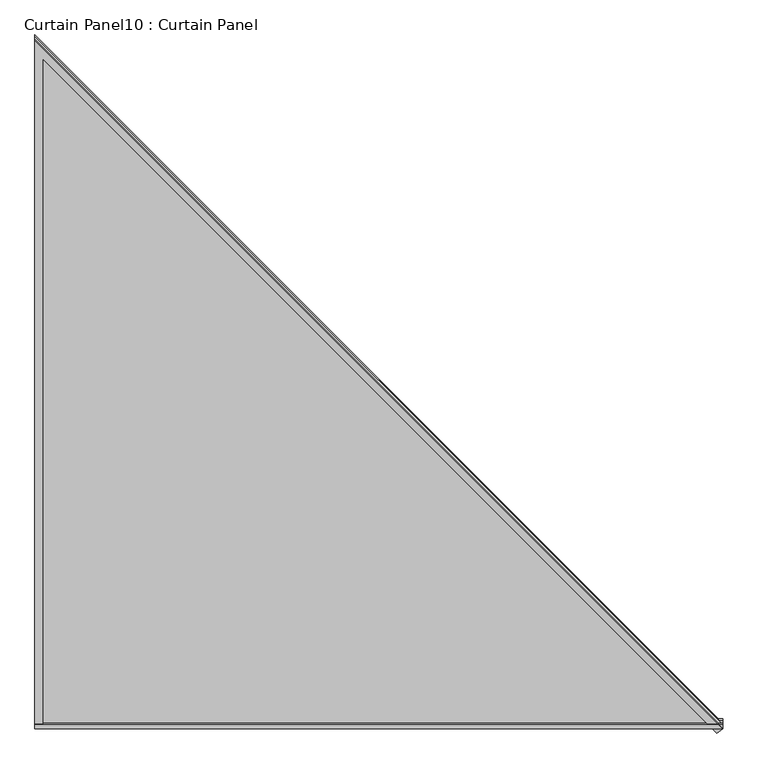
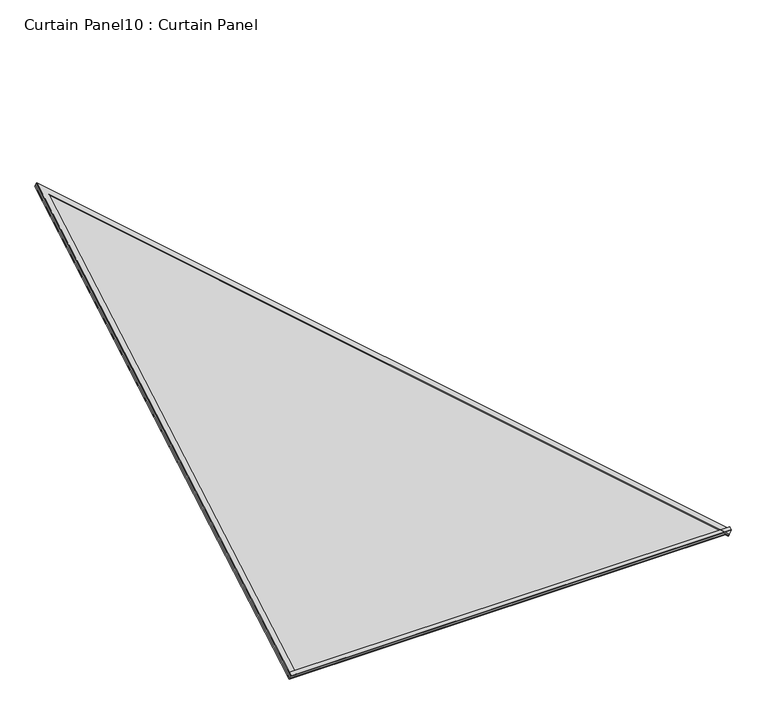
"""IFC4 building model written with IfcOpenShell, lengths in millimetres: plate geometry, Curtain Panel10 : Curtain Panel."""

from ifc_helpers import new_model, si_unit, frame, origin, place, context, project, spatial, polyline, outline, extrude, source, transform, mapped, element, save


def curtain_panel10_curtain_panel_cb4f9418(model_context):
    return source(origin(), model_context, "Body", "SweptSolid", [
        extrude(outline(polyline([(-14387.6585322, 920.0557441), (-14397.2829108, 914.4991065), (-14399.3944783, 918.1564486), (-14389.7699072, 923.7127528), (-14387.6585322, 920.0557441)])), frame((11958.6530333, 0.0, 0.0), z_axis=(1.0, 0.0, 0.0), x_axis=(0.0, 1.0, 0.0)), (0.0, 0.0, 1.0), 1495.9758311),
        extrude(outline(polyline([(-14378.5304089, 904.2453707), (-14388.1547875, 898.6887331), (-14390.4758141, 902.7088691), (-14380.851243, 908.2651734), (-14378.5304089, 904.2453707)])), frame((11958.6530333, 0.0, 0.0), z_axis=(1.0, 0.0, 0.0), x_axis=(0.0, 1.0, 0.0)), (0.0, 0.0, 1.0), 1495.9758311),
        extrude(outline(polyline([(0.0, -11.1252), (0.0, 0.0), (2255.3005297, -1e-07), (972.0629161, 1111.3163725), (979.3460691, 1119.7262332), (2285.1408279, -11.1252001), (0.0, -11.1252)])), frame((13446.2190036, -14394.3629626, 894.8753018), z_axis=(0.0, -0.4999999999999999, 0.8660254037844386), x_axis=(-0.6546536707079778, 0.6546536707079778, 0.3779644730092253)), (0.0, 0.0, 1.0), 4.8617188),
        extrude(outline(polyline([(0.0, -17.4752), (0.0, 0.0), (2238.2683961, 0.0), (967.9058652, 1100.1662237), (979.346069, 1113.3762332), (2285.1408278, -17.4752), (0.0, -17.4752)])), frame((13441.4188548, -14407.1904179, 908.7790046), z_axis=(0.0, -0.5000000000000003, 0.8660254037844384), x_axis=(-0.6546536707079775, 0.6546536707079775, 0.3779644730092261)), (0.0, 0.0, 1.0), 4.0243125),
        extrude(outline(polyline([(66.124169, 0.0), (1562.1, 0.0), (1562.1, -1727.4040975), (66.124169, 0.0)])), frame((13520.7530333, -14390.4864264, 902.7272502), z_axis=(0.0, -0.49999999999999867, 0.8660254037844395), x_axis=(-1.0, 0.0, 0.0)), (0.0, 0.0, 1.0), 13.5929688),
    ])


if __name__ == "__main__":
    model = new_model("IFC4")
    model_context = context("Model", 3, world=origin())
    ifc_project = project(units=[si_unit("LENGTHUNIT", "METRE", prefix="MILLI")], contexts=[model_context])
    site = spatial("IfcSite", under=ifc_project)
    building = spatial("IfcBuilding", under=site)
    placement = place(None, origin())
    curtain_panel10_curtain_panel_shape = curtain_panel10_curtain_panel_cb4f9418(model_context)
    element("IfcPlate", 1, ObjectType="Curtain Panel10 : Curtain Panel", at=placement, inside=building, context=model_context, shape_type="MappedRepresentation", body=[
        mapped(curtain_panel10_curtain_panel_shape, transform((0.0, 0.0, 0.0), x_axis=(1.0, 0.0, 0.0), y_axis=(0.0, 1.0, 0.0), z_axis=(0.0, 0.0, 1.0))),
    ])
    save(model, "model.ifc")
